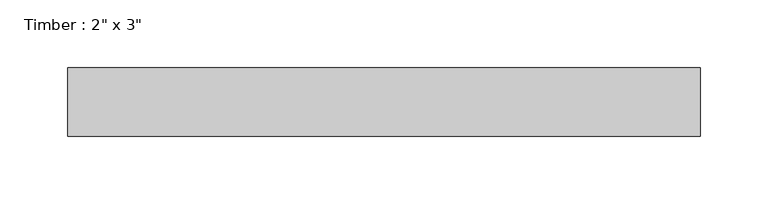
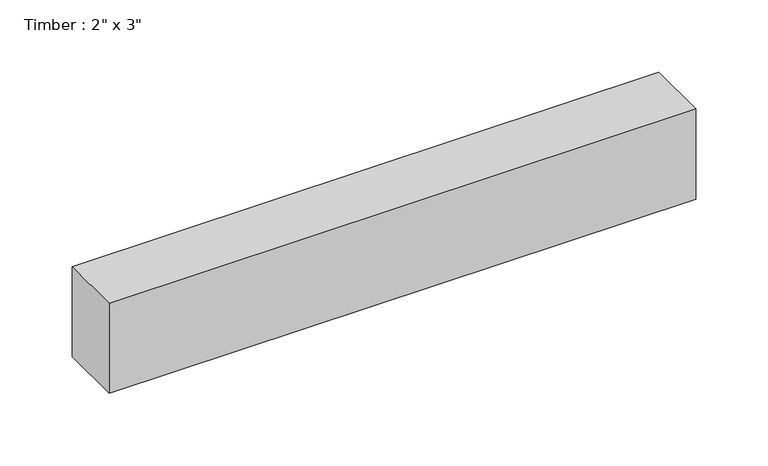
"""IFC4 building model written with IfcOpenShell, lengths in millimetres: beam geometry."""

from ifc_helpers import new_model, si_unit, frame, origin, place, context, project, spatial, polyline, outline, extrude, source, transform, mapped, element, save


def beam_ffc850f1(model_context):
    return source(origin(), model_context, "Body", "SweptSolid", [
        extrude(outline(polyline([(233.9124821, 25.4), (233.9124821, -25.4), (-233.9124821, -25.4), (-233.9124821, 25.4), (233.9124821, 25.4)])), frame((0.0, 0.0, -38.1), z_axis=(0.0, 0.0, 1.0), x_axis=(1.0, 0.0, 0.0)), (0.0, 0.0, 1.0), 76.2),
    ])


if __name__ == "__main__":
    model = new_model("IFC4")
    model_context = context("Model", 3, world=origin())
    ifc_project = project(units=[si_unit("LENGTHUNIT", "METRE", prefix="MILLI")], contexts=[model_context])
    site = spatial("IfcSite", under=ifc_project)
    building = spatial("IfcBuilding", under=site)
    placement = place(None, origin())
    beam_shape = beam_ffc850f1(model_context)
    element("IfcBeam", 1, ObjectType="Timber : 2\" x 3\"", at=placement, inside=building, context=model_context, shape_type="MappedRepresentation", body=[
        mapped(beam_shape, transform((0.0, 0.0, 0.0), x_axis=(1.0, 0.0, 0.0), y_axis=(0.0, 1.0, 0.0), z_axis=(0.0, 0.0, 1.0))),
    ])
    save(model, "model.ifc")
